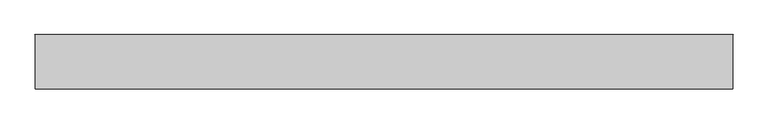
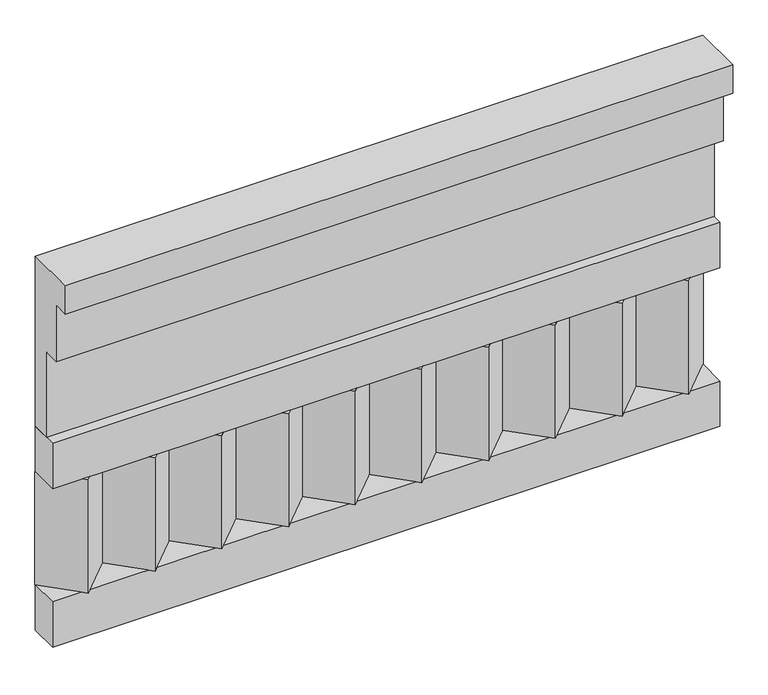
"""IFC4 building model written with IfcOpenShell, lengths in millimetres: railing geometry."""

from ifc_helpers import new_model, si_unit, frame, origin, place, context, project, spatial, polyline, outline, extrude, source, transform, mapped, element, save


def railing_abba9280(model_context):
    return source(origin(), model_context, "Body", "SweptSolid", [
        extrude(outline(polyline([(-16816.8920513, 15200.0), (-16816.8920513, 14750.0), (-16866.8920513, 14750.0), (-16866.8920513, 14975.0), (-16906.8920513, 14975.0), (-16906.8920513, 15125.0), (-16946.8920513, 15125.0), (-16946.8920513, 15200.0), (-16816.8920513, 15200.0)])), frame((36460.0112841, 0.0, 0.0), z_axis=(1.0, 0.0, 0.0), x_axis=(0.0, 1.0, 0.0)), (0.0, 0.0, 1.0), 1670.0),
        extrude(outline(polyline([(36460.0112841, -16891.8920513), (36460.0112841, -16816.8920513), (38130.0112841, -16816.8920513), (38130.0112841, -16891.8920513), (36460.0112841, -16891.8920513)])), frame((0.0, 0.0, 14630.0), z_axis=(0.0, 0.0, 1.0), x_axis=(1.0, 0.0, 0.0)), (0.0, 0.0, 1.0), 120.0),
        extrude(outline(polyline([(36460.0112841, -16891.8920513), (36460.0112841, -16816.8920513), (38130.0112841, -16816.8920513), (38130.0112841, -16891.8920513), (36460.0112841, -16891.8920513)])), frame((0.0, 0.0, 14210.0), z_axis=(0.0, 0.0, 1.0), x_axis=(1.0, 0.0, 0.0)), (0.0, 0.0, 1.0), 120.0),
        extrude(outline(polyline([(38046.5112841, -16901.7448651), (37961.6584704, -16816.8920513), (38131.3640978, -16816.8920513), (38046.5112841, -16901.7448651)])), frame((0.0, 0.0, 14330.0), z_axis=(0.0, 0.0, 1.0), x_axis=(1.0, 0.0, 0.0)), (0.0, 0.0, 1.0), 300.0),
        extrude(outline(polyline([(37879.5112841, -16901.7448651), (37794.6584704, -16816.8920513), (37964.3640978, -16816.8920513), (37879.5112841, -16901.7448651)])), frame((0.0, 0.0, 14330.0), z_axis=(0.0, 0.0, 1.0), x_axis=(1.0, 0.0, 0.0)), (0.0, 0.0, 1.0), 300.0),
        extrude(outline(polyline([(37712.5112841, -16901.7448651), (37627.6584704, -16816.8920513), (37797.3640978, -16816.8920513), (37712.5112841, -16901.7448651)])), frame((0.0, 0.0, 14330.0), z_axis=(0.0, 0.0, 1.0), x_axis=(1.0, 0.0, 0.0)), (0.0, 0.0, 1.0), 300.0),
        extrude(outline(polyline([(37545.5112841, -16901.7448651), (37460.6584704, -16816.8920513), (37630.3640978, -16816.8920513), (37545.5112841, -16901.7448651)])), frame((0.0, 0.0, 14330.0), z_axis=(0.0, 0.0, 1.0), x_axis=(1.0, 0.0, 0.0)), (0.0, 0.0, 1.0), 300.0),
        extrude(outline(polyline([(37378.5112841, -16901.7448651), (37293.6584704, -16816.8920513), (37463.3640978, -16816.8920513), (37378.5112841, -16901.7448651)])), frame((0.0, 0.0, 14330.0), z_axis=(0.0, 0.0, 1.0), x_axis=(1.0, 0.0, 0.0)), (0.0, 0.0, 1.0), 300.0),
        extrude(outline(polyline([(37211.5112841, -16901.7448651), (37126.6584704, -16816.8920513), (37296.3640978, -16816.8920513), (37211.5112841, -16901.7448651)])), frame((0.0, 0.0, 14330.0), z_axis=(0.0, 0.0, 1.0), x_axis=(1.0, 0.0, 0.0)), (0.0, 0.0, 1.0), 300.0),
        extrude(outline(polyline([(37044.5112841, -16901.7448651), (36959.6584704, -16816.8920513), (37129.3640978, -16816.8920513), (37044.5112841, -16901.7448651)])), frame((0.0, 0.0, 14330.0), z_axis=(0.0, 0.0, 1.0), x_axis=(1.0, 0.0, 0.0)), (0.0, 0.0, 1.0), 300.0),
        extrude(outline(polyline([(36877.5112841, -16901.7448651), (36792.6584704, -16816.8920513), (36962.3640978, -16816.8920513), (36877.5112841, -16901.7448651)])), frame((0.0, 0.0, 14330.0), z_axis=(0.0, 0.0, 1.0), x_axis=(1.0, 0.0, 0.0)), (0.0, 0.0, 1.0), 300.0),
        extrude(outline(polyline([(36710.5112841, -16901.7448651), (36625.6584704, -16816.8920513), (36795.3640978, -16816.8920513), (36710.5112841, -16901.7448651)])), frame((0.0, 0.0, 14330.0), z_axis=(0.0, 0.0, 1.0), x_axis=(1.0, 0.0, 0.0)), (0.0, 0.0, 1.0), 300.0),
        extrude(outline(polyline([(36543.5112841, -16901.7448651), (36458.6584704, -16816.8920513), (36628.3640978, -16816.8920513), (36543.5112841, -16901.7448651)])), frame((0.0, 0.0, 14330.0), z_axis=(0.0, 0.0, 1.0), x_axis=(1.0, 0.0, 0.0)), (0.0, 0.0, 1.0), 300.0),
    ])


if __name__ == "__main__":
    model = new_model("IFC4")
    model_context = context("Model", 3, world=origin())
    ifc_project = project(units=[si_unit("LENGTHUNIT", "METRE", prefix="MILLI")], contexts=[model_context])
    site = spatial("IfcSite", under=ifc_project)
    building = spatial("IfcBuilding", under=site)
    placement = place(None, origin())
    railing_shape = railing_abba9280(model_context)
    element("IfcRailing", 1, at=placement, inside=building, context=model_context, shape_type="MappedRepresentation", body=[
        mapped(railing_shape, transform((0.0, 0.0, 0.0), x_axis=(1.0, 0.0, 0.0), y_axis=(0.0, 1.0, 0.0), z_axis=(0.0, 0.0, 1.0))),
    ])
    save(model, "model.ifc")
